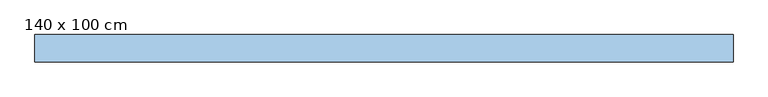
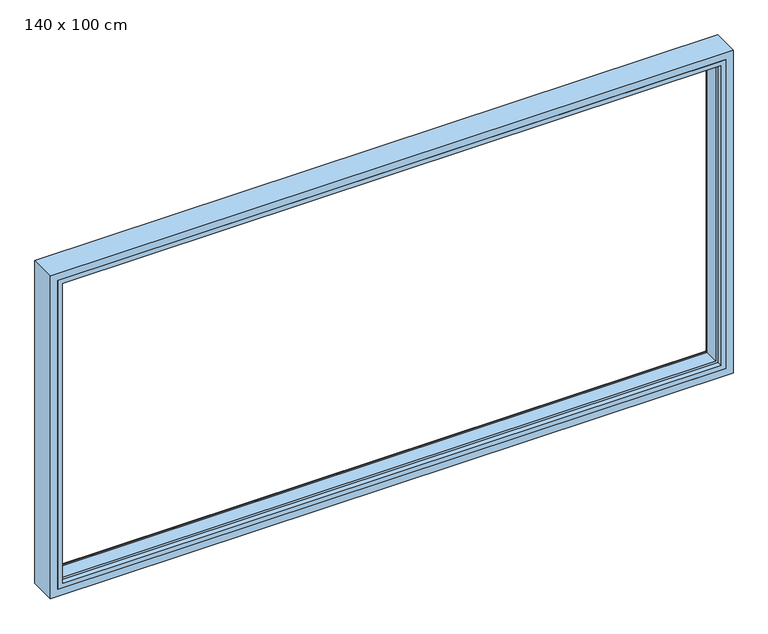
"""IFC4 building model written with IfcOpenShell, lengths in millimetres: window geometry, 140 x 100 cm."""

from ifc_helpers import new_model, si_unit, frame, origin, place, context, project, spatial, ellipse_curve, faceted_brep, source, transform, mapped, element, save
from ifc_brep_helpers import plane_surface, cylinder_surface, advanced_brep


def window_140_x_100_cm_24575ed6(model_context):
    return source(origin(), model_context, "Body", "SolidModel", [
        faceted_brep([(-685.0, -20.0, 1485.0349779), (-685.0, 20.0, 1485.0349779), (-685.0, 20.0, 815.0), (-685.0, -20.0, 815.0), (685.0, 20.0, 1485.0349779), (685.0, 20.0, 815.0), (-670.0, 20.0, 1470.0349779), (-670.0, 20.0, 830.0), (670.0, 20.0, 830.0), (670.0, 20.0, 1470.0349779), (685.0, -20.0, 815.0), (685.0, -20.0, 1485.0349779), (675.0, -20.0, 1475.0349779), (675.0, -20.0, 825.0), (-675.0, -20.0, 825.0), (-675.0, -20.0, 1475.0349779), (-675.0, -10.0, 1475.0349779), (-675.0, -10.0, 825.0), (675.0, -10.0, 825.0), (675.0, -10.0, 1475.0349779), (670.0, -10.0, 1470.0349779), (670.0, -10.0, 830.0), (-670.0, -10.0, 830.0), (-670.0, -10.0, 1470.0349779)], [[[0, 1, 2, 3]], [[4, 5, 2, 1], [6, 7, 8, 9]], [[3, 2, 5, 10]], [[0, 3, 10, 11], [12, 13, 14, 15]], [[16, 15, 14, 17]], [[17, 14, 13, 18]], [[16, 17, 18, 19], [20, 21, 22, 23]], [[6, 23, 22, 7]], [[7, 22, 21, 8]], [[10, 5, 4, 11]], [[18, 13, 12, 19]], [[8, 21, 20, 9]], [[11, 4, 1, 0]], [[19, 12, 15, 16]], [[9, 20, 23, 6]]]),
        advanced_brep(
        [(-700.0, 35.0, 1500.0), (-700.0, 35.0, 800.0), (-700.0, -20.0, 800.0), (-700.0, -20.0, 1500.0), (700.0, 35.0, 1500.0), (700.0, 35.0, 800.0), (-680.0, 35.0, 820.0), (680.0, 35.0, 820.0), (680.0, 35.0, 1480.0), (-680.0, 35.0, 1480.0), (700.0, -20.0, 800.0), (700.0, -20.0, 1500.0), (-685.0, -20.0, 1485.0), (685.0, -20.0, 1485.0), (685.0, -20.0, 815.0), (-685.0, -20.0, 815.0), (-685.0, 20.0, 1485.0), (-685.0, 20.0, 815.0), (685.0, 20.0, 815.0), (685.0, 20.0, 1485.0), (-675.0, 20.0, 1475.0), (675.0, 20.0, 1475.0), (675.0, 20.0, 825.0), (-675.0, 20.0, 825.0), (-675.0, 30.0, 1475.0), (-675.0, 30.0, 825.0), (675.0, 30.0, 825.0), (675.0, 30.0, 1475.0)],
        [
            (0, 1),
            (1, 2),
            (2, 3),
            (3, 0),
            (0, 4),
            (4, 5),
            (5, 1),
            (6, 7),
            (7, 8),
            (8, 9),
            (9, 6),
            (5, 10),
            (10, 2),
            (10, 11),
            (11, 3),
            (12, 13),
            (13, 14),
            (14, 15),
            (15, 12),
            (16, 12),
            (15, 17),
            (17, 16),
            (14, 18),
            (18, 17),
            (18, 19),
            (19, 16),
            (20, 21),
            (21, 22),
            (22, 23),
            (23, 20),
            (24, 20),
            (23, 25),
            (25, 24),
            (22, 26),
            (26, 25),
            (9, 24, ellipse_curve(frame((-680.0, 30.0, 1480.0), z_axis=(-0.7071067811865475, 0.0, -0.7071067811865475), x_axis=(-0.7071067811865474, 0.0, 0.7071067811865476)), 7.0710678, 5.0)),
            (25, 6, ellipse_curve(frame((-680.0, 30.0, 820.0), z_axis=(-0.7071067811865475, 0.0, 0.7071067811865475), x_axis=(0.7071067811865474, 0.0, 0.7071067811865476)), 7.0710678, 5.0)),
            (26, 7, ellipse_curve(frame((680.0, 30.0, 820.0), z_axis=(-0.7071067811865475, 0.0, -0.7071067811865475), x_axis=(-0.7071067811865476, 0.0, 0.7071067811865474)), 7.0710678, 5.0)),
            (4, 11),
            (13, 19),
            (21, 27),
            (27, 26),
            (27, 8, ellipse_curve(frame((680.0, 30.0, 1480.0), z_axis=(0.7071067811865475, 0.0, -0.7071067811865475), x_axis=(-0.7071067811865474, 0.0, -0.7071067811865476)), 7.0710678, 5.0)),
            (24, 27),
        ],
        [
            plane_surface(frame((-700.0, 0.0, 1500.0), z_axis=(-1.0, 0.0, 0.0), x_axis=(0.0, 0.0, -1.0))),
            plane_surface(frame((680.0, 35.0, 1480.0), z_axis=(0.0, 1.0, 0.0), x_axis=(-1.0, 0.0, 0.0))),
            plane_surface(frame((-700.0, 0.0, 800.0), z_axis=(0.0, 0.0, -1.0), x_axis=(1.0, 0.0, 0.0))),
            plane_surface(frame((700.0, -20.0, 1500.0), z_axis=(0.0, -1.0, 0.0), x_axis=(-1.0, 0.0, 0.0))),
            plane_surface(frame((-685.0, -20.0, 1485.0), z_axis=(1.0, 0.0, 0.0), x_axis=(0.0, 0.0, -1.0))),
            plane_surface(frame((-685.0, -20.0, 815.0), z_axis=(0.0, 0.0, 1.0), x_axis=(1.0, 0.0, 0.0))),
            plane_surface(frame((685.0, 20.0, 1485.0), z_axis=(0.0, -1.0, 0.0), x_axis=(-1.0, 0.0, 0.0))),
            plane_surface(frame((-675.0, 20.0, 1475.0), z_axis=(1.0, 0.0, 0.0), x_axis=(0.0, 0.0, -1.0))),
            plane_surface(frame((-675.0, 20.0, 825.0), z_axis=(0.0, 0.0, 1.0), x_axis=(1.0, 0.0, 0.0))),
            cylinder_surface(frame((-680.0, 30.0, 1500.0), z_axis=(0.0, 0.0, 1.0), x_axis=(1.0, 0.0, 0.0)), 5.0),
            cylinder_surface(frame((-700.0, 30.0, 820.0), z_axis=(-1.0, 0.0, 0.0), x_axis=(0.0, 0.0, 1.0)), 5.0),
            plane_surface(frame((700.0, 0.0, 800.0), z_axis=(1.0, 0.0, 0.0), x_axis=(0.0, 0.0, 1.0))),
            plane_surface(frame((685.0, -20.0, 815.0), z_axis=(-1.0, 0.0, 0.0), x_axis=(0.0, 0.0, 1.0))),
            plane_surface(frame((675.0, 20.0, 825.0), z_axis=(-1.0, 0.0, 0.0), x_axis=(0.0, 0.0, 1.0))),
            cylinder_surface(frame((680.0, 30.0, 800.0), z_axis=(0.0, 0.0, -1.0), x_axis=(-1.0, 0.0, 0.0)), 5.0),
            plane_surface(frame((700.0, 0.0, 1500.0), z_axis=(0.0, 0.0, 1.0), x_axis=(-1.0, 0.0, 0.0))),
            plane_surface(frame((685.0, -20.0, 1485.0), z_axis=(0.0, 0.0, -1.0), x_axis=(-1.0, 0.0, 0.0))),
            plane_surface(frame((675.0, 20.0, 1475.0), z_axis=(0.0, 0.0, -1.0), x_axis=(-1.0, 0.0, 0.0))),
            cylinder_surface(frame((700.0, 30.0, 1480.0), z_axis=(1.0, 0.0, 0.0), x_axis=(0.0, 0.0, -1.0)), 5.0),
        ],
        [
            (0, [[1, 2, 3, 4]]),
            (1, [[5, 6, 7, -1], [8, 9, 10, 11]]),
            (2, [[-2, -7, 12, 13]]),
            (3, [[-13, 14, 15, -3], [16, 17, 18, 19]]),
            (4, [[20, -19, 21, 22]]),
            (5, [[-21, -18, 23, 24]]),
            (6, [[-24, 25, 26, -22], [27, 28, 29, 30]]),
            (7, [[31, -30, 32, 33]]),
            (8, [[-32, -29, 34, 35]]),
            (9, [[36, -33, 37, -11]]),
            (10, [[-37, -35, 38, -8]]),
            (11, [[-12, -6, 39, -14]]),
            (12, [[-23, -17, 40, -25]]),
            (13, [[-34, -28, 41, 42]]),
            (14, [[-38, -42, 43, -9]]),
            (15, [[-39, -5, -4, -15]]),
            (16, [[-40, -16, -20, -26]]),
            (17, [[-41, -27, -31, 44]]),
            (18, [[-43, -44, -36, -10]]),
        ],
    ),
    ])


if __name__ == "__main__":
    model = new_model("IFC4")
    model_context = context("Model", 3, world=origin())
    ifc_project = project(units=[si_unit("LENGTHUNIT", "METRE", prefix="MILLI")], contexts=[model_context])
    site = spatial("IfcSite", under=ifc_project)
    building = spatial("IfcBuilding", under=site)
    placement = place(None, origin())
    window_140_x_100_cm_shape = window_140_x_100_cm_24575ed6(model_context)
    element("IfcWindow", 1, ObjectType="140 x 100 cm", at=placement, inside=building, context=model_context, shape_type="MappedRepresentation", body=[
        mapped(window_140_x_100_cm_shape, transform((0.0, 0.0, 0.0), x_axis=(1.0, 0.0, 0.0), y_axis=(0.0, 1.0, 0.0), z_axis=(0.0, 0.0, 1.0))),
    ])
    save(model, "model.ifc")
